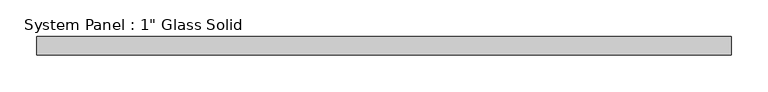
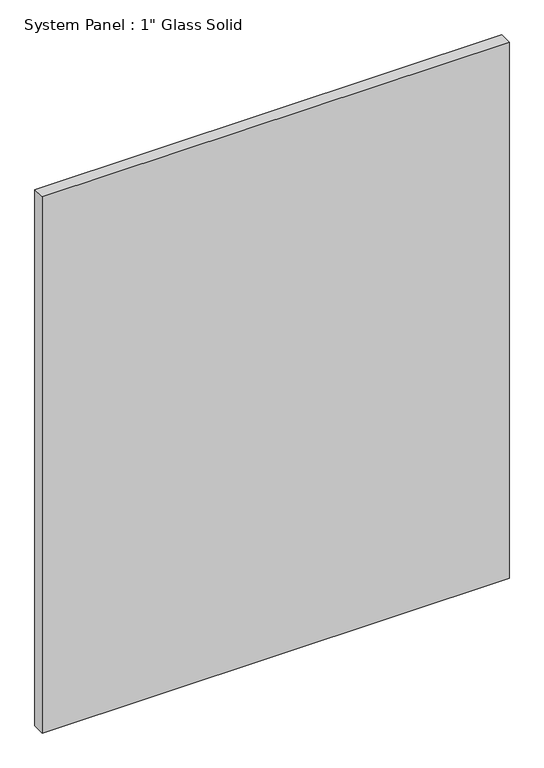
"""IFC4 building model written with IfcOpenShell, lengths in millimetres: plate geometry."""

from ifc_helpers import new_model, si_unit, origin, origin_with_axes, place, context, project, spatial, polyline, outline, extrude, source, transform, mapped, element, save


def plate_49ce6142(model_context):
    return source(origin(), model_context, "Body", "SweptSolid", [
        extrude(outline(polyline([(473.6555865, -12.7), (-473.6555865, -12.7), (-473.6555865, 12.7), (473.6555865, 12.7), (473.6555865, -12.7)])), origin_with_axes(), (0.0, 0.0, 1.0), 1150.5094027),
    ])


if __name__ == "__main__":
    model = new_model("IFC4")
    model_context = context("Model", 3, world=origin())
    ifc_project = project(units=[si_unit("LENGTHUNIT", "METRE", prefix="MILLI")], contexts=[model_context])
    site = spatial("IfcSite", under=ifc_project)
    building = spatial("IfcBuilding", under=site)
    placement = place(None, origin())
    plate_shape = plate_49ce6142(model_context)
    element("IfcPlate", 1, ObjectType="System Panel : 1\" Glass Solid", at=placement, inside=building, context=model_context, shape_type="MappedRepresentation", body=[
        mapped(plate_shape, transform((0.0, 0.0, 0.0), x_axis=(1.0, 0.0, 0.0), y_axis=(0.0, 1.0, 0.0), z_axis=(0.0, 0.0, 1.0))),
    ])
    save(model, "model.ifc")
